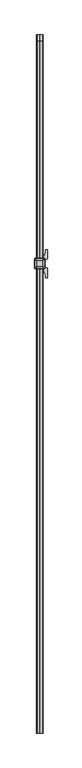
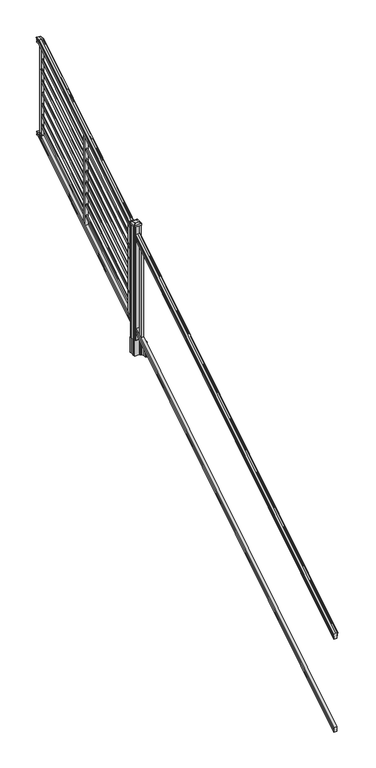
"""IFC4 building model written with IfcOpenShell, lengths in millimetres: railing geometry."""

from ifc_helpers import new_model, si_unit, point, frame, frame_2d, origin, origin_2d, place, context, project, spatial, polyline, circle_curve, ellipse_curve, trimmed, segment, composite_curve, outline, extrude, faceted_brep, source, transform, mapped, element, save
from ifc_brep_helpers import plane_surface, cylinder_surface, revolved_surface, extruded_surface, advanced_brep


def railing_a6274b3b(model_context):
    return source(origin(), model_context, "Body", "SolidModel", [
        advanced_brep(
        [(8666.232944, -142728.8628453, 1270.3670492), (8668.8067728, -142728.8628453, 1270.3670492), (8668.8067728, -142728.8628453, 1257.7994336), (8667.7907728, -142728.8628453, 1256.601318), (8667.7907728, -142728.8628453, 1242.06), (8699.5407728, -142728.8628453, 1242.06), (8699.5407728, -142728.8628453, 1256.7874214), (8698.5247728, -142728.8628453, 1257.985537), (8698.5247728, -142728.8628453, 1270.3670492), (8701.0986015, -142728.8628453, 1270.3670492), (8701.0986015, -142728.8628453, 1272.5935658), (8702.2287878, -142728.8628453, 1274.4358543), (8702.2287878, -142728.8628453, 1282.9476358), (8701.5795314, -142728.8628453, 1285.8172588), (8704.0795314, -142728.8628453, 1290.9235509), (8705.4888739, -142728.8628453, 1292.9042021), (8705.8907729, -142728.8628453, 1294.2069579), (8705.8907728, -142728.8628453, 1295.7874846), (8704.3373255, -142728.8628453, 1297.6193836), (8683.6657728, -142728.8628453, 1297.6193836), (8662.99422, -142728.8628453, 1297.6193836), (8661.4407728, -142728.8628453, 1295.7874846), (8661.4407728, -142728.8628453, 1294.2069579), (8661.8426717, -142728.8628453, 1292.9042021), (8663.2520141, -142728.8628453, 1290.9235509), (8665.7520141, -142728.8628453, 1285.8172588), (8665.1027577, -142728.8628453, 1282.9476358), (8665.1027577, -142728.8628453, 1274.4358543), (8666.232944, -142728.8628453, 1272.5935658), (8666.232944, -137852.0628453, 4295.0143297), (8666.232944, -137852.0628453, 4296.902412), (8665.1027577, -137852.0628453, 4298.4646695), (8665.1027577, -137852.0628453, 4305.6826458), (8665.7520141, -137852.0628453, 4308.1160812), (8663.2520141, -137852.0628453, 4312.4462082), (8661.8426717, -137852.0628453, 4314.1257972), (8661.4407727, -137852.0628453, 4315.2305318), (8661.4407728, -137852.0628453, 4316.5708158), (8662.99422, -137852.0628453, 4318.124263), (8683.6657728, -137852.0628453, 4318.124263), (8704.3373255, -137852.0628453, 4318.124263), (8705.8907728, -137852.0628453, 4316.5708158), (8705.8907728, -137852.0628453, 4315.2305318), (8705.4888739, -137852.0628453, 4314.1257972), (8704.0795314, -137852.0628453, 4312.4462082), (8701.5795314, -137852.0628453, 4308.1160812), (8702.2287878, -137852.0628453, 4305.6826458), (8702.2287878, -137852.0628453, 4298.4646695), (8701.0986015, -137852.0628453, 4296.902412), (8701.0986015, -137852.0628453, 4295.0143297), (8698.5247728, -137852.0628453, 4295.0143297), (8698.5247728, -137852.0628453, 4284.5148283), (8699.5407728, -137852.0628453, 4283.4988283), (8699.5407728, -137852.0628453, 4271.01), (8667.7907728, -137852.0628453, 4271.01), (8667.7907728, -137852.0628453, 4283.341013), (8668.8067728, -137852.0628453, 4284.357013), (8668.8067728, -137852.0628453, 4295.0143297), (8666.232944, -137889.9686913, 4296.902412), (8666.232944, -137889.4271965, 4295.0143297), (8665.1027577, -137890.4167409, 4298.4646695), (8665.1027577, -137892.4868293, 4305.6826458), (8665.7520141, -137893.1847294, 4308.1160812), (8663.2520141, -137894.4265935, 4312.4462082), (8661.8426717, -137894.9082932, 4314.1257972), (8661.4407727, -137895.2251269, 4315.2305318), (8661.4407728, -137895.6095153, 4316.5708158), (8662.99422, -137896.0550381, 4318.124263), (8683.6657728, -137896.0550381, 4318.124263), (8704.3373255, -137896.0550381, 4318.124263), (8705.8907728, -137895.6095153, 4316.5708158), (8705.8907728, -137895.2251269, 4315.2305318), (8705.4888739, -137894.9082932, 4314.1257972), (8704.0795314, -137894.4265935, 4312.4462082), (8701.5795314, -137893.1847294, 4308.1160812), (8702.2287878, -137892.4868293, 4305.6826458), (8702.2287878, -137890.4167409, 4298.4646695), (8701.0986015, -137889.9686913, 4296.902412), (8701.0986015, -137889.4271965, 4295.0143297), (8698.5247728, -137889.4271965, 4295.0143297), (8698.5247728, -137886.4159791, 4284.5148283), (8699.5407728, -137886.1245941, 4283.4988283), (8699.5407728, -137882.5428453, 4271.01), (8667.7907728, -137882.5428453, 4271.01), (8667.7907728, -137886.0793333, 4283.341013), (8668.8067728, -137886.3707182, 4284.357013), (8668.8067728, -137889.4271965, 4295.0143297)],
        [
            (0, 1, ellipse_curve(frame((8667.5198584, -142728.8628453, 1270.3670492), z_axis=(0.0, -1.0, 0.0), x_axis=(0.0, 0.0, -1.0)), 1.5175907, 1.2869144)),
            (1, 2),
            (2, 3),
            (3, 4),
            (4, 5),
            (5, 6),
            (6, 7),
            (7, 8),
            (8, 9, ellipse_curve(frame((8699.8116871, -142728.8628453, 1270.3670492), z_axis=(0.0, -1.0, 0.0), x_axis=(0.0, 0.0, -1.0)), 1.5175907, 1.2869144)),
            (9, 10),
            (10, 11, ellipse_curve(frame((8694.7838482, -142728.8628453, 1279.3839405), z_axis=(0.0, -1.0, 0.0), x_axis=(0.0, 0.0, -1.0)), 10.0777926, 8.545951)),
            (11, 12, ellipse_curve(frame((8695.2209112, -142728.8628453, 1278.6917451), z_axis=(0.0, -1.0, 0.0), x_axis=(0.0, 0.0, -1.0)), 9.2955186, 7.882584)),
            (12, 13, ellipse_curve(frame((8705.7342353, -142728.8628453, 1285.5875077), z_axis=(0.0, 1.0, 0.0), x_axis=(0.0, 0.0, 1.0)), 4.9048088, 4.1592695)),
            (13, 14, ellipse_curve(frame((8707.0215419, -142728.8628453, 1285.5163208), z_axis=(0.0, 1.0, 0.0), x_axis=(0.0, 0.0, 1.0)), 6.4245301, 5.4479907)),
            (14, 15, ellipse_curve(frame((8705.7883834, -142728.8628453, 1290.9202333), z_axis=(0.0, 1.0, 0.0), x_axis=(0.0, 0.0, 1.0)), 2.0151625, 1.7088543)),
            (15, 16, ellipse_curve(frame((8704.1714833, -142728.8628453, 1294.2069579), z_axis=(0.0, -1.0, 0.0), x_axis=(0.0, 0.0, -1.0)), 2.0274681, 1.7192895)),
            (16, 17),
            (17, 18, ellipse_curve(frame((8704.3373255, -142728.8628453, 1295.7874846), z_axis=(0.0, -1.0, 0.0), x_axis=(0.0, 0.0, -1.0)), 1.831899, 1.5534472)),
            (18, 19),
            (19, 20),
            (20, 21, ellipse_curve(frame((8662.99422, -142728.8628453, 1295.7874846), z_axis=(0.0, -1.0, 0.0), x_axis=(0.0, 0.0, -1.0)), 1.831899, 1.5534472)),
            (21, 22),
            (22, 23, ellipse_curve(frame((8663.1600622, -142728.8628453, 1294.2069579), z_axis=(0.0, -1.0, 0.0), x_axis=(0.0, 0.0, -1.0)), 2.0274681, 1.7192895)),
            (23, 24, ellipse_curve(frame((8661.5431621, -142728.8628453, 1290.9202333), z_axis=(0.0, 1.0, 0.0), x_axis=(0.0, 0.0, 1.0)), 2.0151625, 1.7088543)),
            (24, 25, ellipse_curve(frame((8660.3100037, -142728.8628453, 1285.5163208), z_axis=(0.0, 1.0, 0.0), x_axis=(0.0, 0.0, 1.0)), 6.4245301, 5.4479907)),
            (25, 26, ellipse_curve(frame((8661.5973102, -142728.8628453, 1285.5875077), z_axis=(0.0, 1.0, 0.0), x_axis=(0.0, 0.0, 1.0)), 4.9048088, 4.1592695)),
            (26, 27, ellipse_curve(frame((8672.1106343, -142728.8628453, 1278.6917451), z_axis=(0.0, -1.0, 0.0), x_axis=(0.0, 0.0, -1.0)), 9.2955186, 7.882584)),
            (27, 28, ellipse_curve(frame((8672.5476973, -142728.8628453, 1279.3839405), z_axis=(0.0, -1.0, 0.0), x_axis=(0.0, 0.0, -1.0)), 10.0777926, 8.545951)),
            (28, 0),
            (29, 30),
            (30, 31, circle_curve(frame((8672.5476973, -137852.0628453, 4302.6606383), z_axis=(0.0, 1.0, 0.0), x_axis=(1.0, 0.0, 0.0)), 8.545951)),
            (31, 32, circle_curve(frame((8672.1106343, -137852.0628453, 4302.0736577), z_axis=(0.0, 1.0, 0.0), x_axis=(1.0, 0.0, 0.0)), 7.882584)),
            (32, 33, circle_curve(frame((8661.5973102, -137852.0628453, 4307.9212527), z_axis=(0.0, -1.0, 0.0), x_axis=(1.0, 0.0, 0.0)), 4.1592695)),
            (33, 34, circle_curve(frame((8660.3100037, -137852.0628453, 4307.8608864), z_axis=(0.0, -1.0, 0.0), x_axis=(1.0, 0.0, 0.0)), 5.4479907)),
            (34, 35, circle_curve(frame((8661.5431621, -137852.0628453, 4312.443395), z_axis=(0.0, -1.0, 0.0), x_axis=(1.0, 0.0, 0.0)), 1.7088543)),
            (35, 36, circle_curve(frame((8663.1600622, -137852.0628453, 4315.2305318), z_axis=(0.0, 1.0, 0.0), x_axis=(1.0, 0.0, 0.0)), 1.7192895)),
            (36, 37),
            (37, 38, circle_curve(frame((8662.99422, -137852.0628453, 4316.5708158), z_axis=(0.0, 1.0, 0.0), x_axis=(1.0, 0.0, 0.0)), 1.5534472)),
            (38, 39),
            (39, 40),
            (40, 41, circle_curve(frame((8704.3373255, -137852.0628453, 4316.5708158), z_axis=(0.0, 1.0, 0.0), x_axis=(-1.0, 0.0, 0.0)), 1.5534472)),
            (41, 42),
            (42, 43, circle_curve(frame((8704.1714833, -137852.0628453, 4315.2305318), z_axis=(0.0, 1.0, 0.0), x_axis=(-1.0, 0.0, 0.0)), 1.7192895)),
            (43, 44, circle_curve(frame((8705.7883834, -137852.0628453, 4312.443395), z_axis=(0.0, -1.0, 0.0), x_axis=(-1.0, 0.0, 0.0)), 1.7088543)),
            (44, 45, circle_curve(frame((8707.0215419, -137852.0628453, 4307.8608864), z_axis=(0.0, -1.0, 0.0), x_axis=(-1.0, 0.0, 0.0)), 5.4479907)),
            (45, 46, circle_curve(frame((8705.7342353, -137852.0628453, 4307.9212527), z_axis=(0.0, -1.0, 0.0), x_axis=(-1.0, 0.0, 0.0)), 4.1592695)),
            (46, 47, circle_curve(frame((8695.2209112, -137852.0628453, 4302.0736577), z_axis=(0.0, 1.0, 0.0), x_axis=(-1.0, 0.0, 0.0)), 7.882584)),
            (47, 48, circle_curve(frame((8694.7838482, -137852.0628453, 4302.6606383), z_axis=(0.0, 1.0, 0.0), x_axis=(-1.0, 0.0, 0.0)), 8.545951)),
            (48, 49),
            (49, 50, circle_curve(frame((8699.8116871, -137852.0628453, 4295.0143297), z_axis=(0.0, 1.0, 0.0), x_axis=(-1.0, 0.0, 0.0)), 1.2869144)),
            (50, 51),
            (51, 52),
            (52, 53),
            (53, 54),
            (54, 55),
            (55, 56),
            (56, 57),
            (57, 29, circle_curve(frame((8667.5198584, -137852.0628453, 4295.0143297), z_axis=(0.0, 1.0, 0.0), x_axis=(1.0, 0.0, 0.0)), 1.2869144)),
            (28, 58),
            (58, 59),
            (59, 0),
            (27, 60),
            (60, 58, ellipse_curve(frame((8672.5476973, -137891.6201289, 4302.6606383), z_axis=(0.0, -0.9612487461643644, -0.2756825130425166), x_axis=(0.0, 0.27568251304251695, -0.9612487461643643)), 8.8904678, 8.545951)),
            (26, 61),
            (61, 60, ellipse_curve(frame((8672.1106343, -137891.4517851, 4302.0736577), z_axis=(0.0, -0.9612487461643644, -0.2756825130425166), x_axis=(0.0, 0.27568251304251695, -0.9612487461643643)), 8.2003581, 7.882584)),
            (25, 62),
            (62, 61, ellipse_curve(frame((8661.5973102, -137893.1288533, 4307.9212527), z_axis=(0.0, 0.9612487461643644, 0.2756825130425166), x_axis=(0.0, -0.27568251304251695, 0.9612487461643643)), 4.326944, 4.1592695)),
            (24, 63),
            (63, 62, ellipse_curve(frame((8660.3100037, -137893.1115404, 4307.8608864), z_axis=(0.0, 0.9612487461643644, 0.2756825130425166), x_axis=(0.0, -0.27568251304251695, 0.9612487461643643)), 5.667618, 5.4479907)),
            (23, 64),
            (64, 63, ellipse_curve(frame((8661.5431621, -137894.4257866, 4312.443395), z_axis=(0.0, 0.9612487461643644, 0.2756825130425166), x_axis=(0.0, -0.27568251304251695, 0.9612487461643643)), 1.7777442, 1.7088543)),
            (22, 65),
            (65, 64, ellipse_curve(frame((8663.1600622, -137895.2251269, 4315.2305318), z_axis=(0.0, -0.9612487461643644, -0.2756825130425166), x_axis=(0.0, 0.27568251304251695, -0.9612487461643643)), 1.7886, 1.7192895)),
            (21, 66),
            (66, 65),
            (20, 67),
            (67, 66, ellipse_curve(frame((8662.99422, -137895.6095153, 4316.5708158), z_axis=(0.0, -0.9612487461643644, -0.2756825130425166), x_axis=(0.0, 0.27568251304251695, -0.9612487461643643)), 1.6160721, 1.5534472)),
            (19, 68),
            (68, 67),
            (18, 69),
            (69, 68),
            (17, 70),
            (70, 69, ellipse_curve(frame((8704.3373255, -137895.6095153, 4316.5708158), z_axis=(0.0, -0.9612487461643644, -0.2756825130425166), x_axis=(0.0, 0.27568251304251695, -0.9612487461643643)), 1.6160721, 1.5534472)),
            (16, 71),
            (71, 70),
            (15, 72),
            (72, 71, ellipse_curve(frame((8704.1714833, -137895.2251269, 4315.2305318), z_axis=(0.0, -0.9612487461643644, -0.2756825130425166), x_axis=(0.0, 0.27568251304251695, -0.9612487461643643)), 1.7886, 1.7192895)),
            (14, 73),
            (73, 72, ellipse_curve(frame((8705.7883834, -137894.4257866, 4312.443395), z_axis=(0.0, 0.9612487461643644, 0.2756825130425166), x_axis=(0.0, -0.27568251304251695, 0.9612487461643643)), 1.7777442, 1.7088543)),
            (13, 74),
            (74, 73, ellipse_curve(frame((8707.0215419, -137893.1115404, 4307.8608864), z_axis=(0.0, 0.9612487461643644, 0.2756825130425166), x_axis=(0.0, -0.27568251304251695, 0.9612487461643643)), 5.667618, 5.4479907)),
            (12, 75),
            (75, 74, ellipse_curve(frame((8705.7342353, -137893.1288533, 4307.9212527), z_axis=(0.0, 0.9612487461643644, 0.2756825130425166), x_axis=(0.0, -0.27568251304251695, 0.9612487461643643)), 4.326944, 4.1592695)),
            (11, 76),
            (76, 75, ellipse_curve(frame((8695.2209112, -137891.4517851, 4302.0736577), z_axis=(0.0, -0.9612487461643644, -0.2756825130425166), x_axis=(0.0, 0.27568251304251695, -0.9612487461643643)), 8.2003581, 7.882584)),
            (10, 77),
            (77, 76, ellipse_curve(frame((8694.7838482, -137891.6201289, 4302.6606383), z_axis=(0.0, -0.9612487461643644, -0.2756825130425166), x_axis=(0.0, 0.27568251304251695, -0.9612487461643643)), 8.8904678, 8.545951)),
            (9, 78),
            (78, 77),
            (8, 79),
            (79, 78, ellipse_curve(frame((8699.8116871, -137889.4271965, 4295.0143297), z_axis=(0.0, -0.9612487461643644, -0.2756825130425166), x_axis=(0.0, 0.27568251304251695, -0.9612487461643643)), 1.3387943, 1.2869144)),
            (7, 80),
            (80, 79),
            (6, 81),
            (81, 80),
            (5, 82),
            (82, 81),
            (4, 83),
            (83, 82),
            (3, 84),
            (84, 83),
            (2, 85),
            (85, 84),
            (1, 86),
            (86, 85),
            (59, 86, ellipse_curve(frame((8667.5198584, -137889.4271965, 4295.0143297), z_axis=(0.0, -0.9612487461643644, -0.2756825130425166), x_axis=(0.0, 0.27568251304251695, -0.9612487461643643)), 1.3387943, 1.2869144)),
            (58, 30),
            (29, 59),
            (60, 31),
            (61, 32),
            (62, 33),
            (63, 34),
            (64, 35),
            (65, 36),
            (66, 37),
            (67, 38),
            (68, 39),
            (69, 40),
            (70, 41),
            (71, 42),
            (72, 43),
            (73, 44),
            (74, 45),
            (75, 46),
            (76, 47),
            (77, 48),
            (78, 49),
            (79, 50),
            (80, 51),
            (81, 52),
            (82, 53),
            (83, 54),
            (84, 55),
            (85, 56),
            (86, 57),
        ],
        [
            plane_surface(frame((8683.6657728, -142728.8628453, 1242.06), z_axis=(0.0, -1.0, 0.0), x_axis=(0.0, 0.0, 1.0))),
            plane_surface(frame((8683.6657728, -137852.0628453, 4271.01), z_axis=(0.0, 1.0, 0.0), x_axis=(0.0, 0.0, 1.0))),
            plane_surface(frame((8666.232944, -142728.8628453, 1272.5935658), z_axis=(-1.0, 0.0, 0.0), x_axis=(0.0, 0.8479983040051251, 0.5299989400031206))),
            cylinder_surface(frame((8672.5476973, -142745.63765, 1268.8996876), z_axis=(0.0, -0.8479983040051253, -0.5299989400031203), x_axis=(1.0, 0.0, 0.0)), 8.545951),
            cylinder_surface(frame((8672.1106343, -142745.3265509, 1268.401929), z_axis=(0.0, -0.8479983040051253, -0.5299989400031203), x_axis=(1.0, 0.0, 0.0)), 7.882584),
            revolved_surface(polyline([(8665.7565797, -137892.1173076721, 4308.553468716955), (8665.7565797, -142731.06725374944, 1284.209752419102)]), (8661.5973102, -142748.4257701, 1273.3606797), (0.0, 0.8479983040051253, 0.5299989400031203)),
            revolved_surface(polyline([(8665.7579944, -137891.78657425637, 4308.688990189307), (8665.7579944, -142731.75027455282, 1283.7116775044994)]), (8660.3100037, -142748.393776, 1273.3094891), (0.0, 0.8479983040051253, 0.5299989400031203)),
            revolved_surface(polyline([(8663.252016400002, -137894.01018858227, 4312.7031437730975), (8663.252016400002, -142729.76853632246, 1290.354176435948)]), (8661.5431621, -142750.8225007, 1277.1954487), (0.0, 0.8479983040051253, 0.5299989400031203)),
            cylinder_surface(frame((8663.1600622, -142752.2996803, 1279.558936), z_axis=(0.0, -0.8479983040051253, -0.5299989400031203), x_axis=(1.0, 0.0, 0.0)), 1.7192895),
            plane_surface(frame((8661.4407728, -142728.8628453, 1295.7874846), z_axis=(-1.0, 0.0, 0.0), x_axis=(0.0, 0.8479983040051249, 0.529998940003121))),
            cylinder_surface(frame((8662.99422, -142753.0100294, 1280.6954945), z_axis=(0.0, -0.8479983040051253, -0.5299989400031203), x_axis=(1.0, 0.0, 0.0)), 1.5534472),
            plane_surface(frame((8683.6657728, -142728.8628453, 1297.6193836), z_axis=(0.0, -0.5299989400031193, 0.8479983040051259), x_axis=(0.0, 0.8479983040051259, 0.5299989400031193))),
            plane_surface(frame((8704.3373255, -142728.8628453, 1297.6193836), z_axis=(0.0, -0.5299989400031193, 0.8479983040051259), x_axis=(0.0, 0.8479983040051259, 0.5299989400031193))),
            cylinder_surface(frame((8704.3373255, -142753.0100294, 1280.6954945), z_axis=(0.0, -0.8479983040051253, -0.5299989400031203), x_axis=(-1.0, 0.0, 0.0)), 1.5534472),
            plane_surface(frame((8705.8907728, -142728.8628453, 1294.2069579), z_axis=(1.0000000000000002, 0.0, 0.0), x_axis=(0.0, 0.8479983040051259, 0.5299989400031195))),
            cylinder_surface(frame((8704.1714833, -142752.2996803, 1279.558936), z_axis=(0.0, -0.8479983040051253, -0.5299989400031203), x_axis=(-1.0, 0.0, 0.0)), 1.7192895),
            revolved_surface(polyline([(8704.0795291, -137894.01018858227, 4312.7031437730975), (8704.0795291, -142729.76853632246, 1290.354176435948)]), (8705.7883834, -142750.8225007, 1277.1954487), (0.0, 0.8479983040051253, 0.5299989400031203)),
            revolved_surface(polyline([(8701.5735512, -137891.78657425637, 4308.688990189307), (8701.5735512, -142731.75027455282, 1283.7116775044994)]), (8707.0215419, -142748.393776, 1273.3094891), (0.0, 0.8479983040051253, 0.5299989400031203)),
            revolved_surface(polyline([(8701.5749658, -137892.1173076721, 4308.553468716955), (8701.5749658, -142731.06725374944, 1284.209752419102)]), (8705.7342353, -142748.4257701, 1273.3606797), (0.0, 0.8479983040051253, 0.5299989400031203)),
            cylinder_surface(frame((8695.2209112, -142745.3265509, 1268.401929), z_axis=(0.0, -0.8479983040051253, -0.5299989400031203), x_axis=(-1.0, 0.0, 0.0)), 7.882584),
            cylinder_surface(frame((8694.7838482, -142745.63765, 1268.8996876), z_axis=(0.0, -0.8479983040051253, -0.5299989400031203), x_axis=(-1.0, 0.0, 0.0)), 8.545951),
            plane_surface(frame((8701.0986015, -142728.8628453, 1270.3670492), z_axis=(1.0000000000000002, 0.0, 0.0), x_axis=(0.0, 0.8479983040051257, 0.5299989400031199))),
            cylinder_surface(frame((8699.8116871, -142741.5851146, 1262.4156309), z_axis=(0.0, -0.8479983040051253, -0.5299989400031203), x_axis=(-1.0, 0.0, 0.0)), 1.2869144),
            plane_surface(frame((8698.5247728, -142728.8628453, 1257.985537), z_axis=(1.0, 0.0, 0.0), x_axis=(0.0, 0.8479983040051249, 0.529998940003121))),
            plane_surface(frame((8699.5407728, -142728.8628453, 1256.7874214), z_axis=(0.7071067811865426, -0.37476584449789235, 0.5996253511967193), x_axis=(0.0, 0.8479983040051251, 0.5299989400031208))),
            plane_surface(frame((8699.5407728, -142728.8628453, 1242.06), z_axis=(1.0, 0.0, 0.0), x_axis=(0.0, 0.8479983040051255, 0.52999894000312))),
            plane_surface(frame((8667.7907728, -142728.8628453, 1242.06), z_axis=(0.0, 0.5299989400031201, -0.8479983040051255), x_axis=(0.0, 0.8479983040051255, 0.5299989400031201))),
            plane_surface(frame((8667.7907728, -142728.8628453, 1256.601318), z_axis=(-1.0000000000000002, 0.0, 0.0), x_axis=(0.0, 0.8479983040051251, 0.5299989400031208))),
            plane_surface(frame((8668.8067728, -142728.8628453, 1257.7994336), z_axis=(-0.70710678118654, -0.37476584449789224, 0.599625351196722), x_axis=(0.0, 0.8479983040051248, 0.5299989400031211))),
            plane_surface(frame((8668.8067728, -142728.8628453, 1270.3670492), z_axis=(-1.0000000000000002, 0.0, 0.0), x_axis=(0.0, 0.8479983040051257, 0.5299989400031199))),
            cylinder_surface(frame((8667.5198584, -142741.5851146, 1262.4156309), z_axis=(0.0, -0.8479983040051253, -0.5299989400031203), x_axis=(1.0, 0.0, 0.0)), 1.2869144),
            plane_surface(frame((8666.232944, -137889.9686913, 4296.902412), z_axis=(-1.0, 0.0, 0.0), x_axis=(0.0, 1.0, 0.0))),
            cylinder_surface(frame((8672.5476973, -137882.5428453, 4302.6606383), z_axis=(0.0, -1.0, 0.0), x_axis=(1.0, 0.0, 0.0)), 8.545951),
            cylinder_surface(frame((8672.1106343, -137882.5428453, 4302.0736577), z_axis=(0.0, -1.0, 0.0), x_axis=(1.0, 0.0, 0.0)), 7.882584),
            revolved_surface(polyline([(8665.7565797, -137852.0628453, 4307.9212527), (8665.7565797, -137894.32171609573, 4307.9212527)]), (8661.5973102, -137882.5428453, 4307.9212527), (0.0, 1.0, 0.0)),
            revolved_surface(polyline([(8665.7579944, -137852.0628453, 4307.8608864), (8665.7579944, -137894.6740035732, 4307.8608864)]), (8660.3100037, -137882.5428453, 4307.8608864), (0.0, 1.0, 0.0)),
            revolved_surface(polyline([(8663.252016400002, -137852.0628453, 4312.443395), (8663.252016400002, -137894.9158795886, 4312.443395)]), (8661.5431621, -137882.5428453, 4312.443395), (0.0, 1.0, 0.0)),
            cylinder_surface(frame((8663.1600622, -137882.5428453, 4315.2305318), z_axis=(0.0, -1.0, 0.0), x_axis=(1.0, 0.0, 0.0)), 1.7192895),
            plane_surface(frame((8661.4407728, -137895.6095153, 4316.5708158), z_axis=(-1.0, 0.0, 0.0), x_axis=(0.0, 1.0, 0.0))),
            cylinder_surface(frame((8662.99422, -137882.5428453, 4316.5708158), z_axis=(0.0, -1.0, 0.0), x_axis=(1.0, 0.0, 0.0)), 1.5534472),
            plane_surface(frame((8683.6657728, -137896.0550381, 4318.124263), z_axis=(0.0, 0.0, 1.0), x_axis=(0.0, 1.0, 0.0))),
            plane_surface(frame((8704.3373255, -137896.0550381, 4318.124263), z_axis=(0.0, 0.0, 1.0), x_axis=(0.0, 1.0, 0.0))),
            cylinder_surface(frame((8704.3373255, -137882.5428453, 4316.5708158), z_axis=(0.0, -1.0, 0.0), x_axis=(-1.0, 0.0, 0.0)), 1.5534472),
            plane_surface(frame((8705.8907728, -137895.2251269, 4315.2305318), z_axis=(1.0, 0.0, 0.0), x_axis=(0.0, 1.0, 0.0))),
            cylinder_surface(frame((8704.1714833, -137882.5428453, 4315.2305318), z_axis=(0.0, -1.0, 0.0), x_axis=(-1.0, 0.0, 0.0)), 1.7192895),
            revolved_surface(polyline([(8704.0795291, -137852.0628453, 4312.443395), (8704.0795291, -137894.9158795886, 4312.443395)]), (8705.7883834, -137882.5428453, 4312.443395), (0.0, 1.0, 0.0)),
            revolved_surface(polyline([(8701.5735512, -137852.0628453, 4307.8608864), (8701.5735512, -137894.6740035732, 4307.8608864)]), (8707.0215419, -137882.5428453, 4307.8608864), (0.0, 1.0, 0.0)),
            revolved_surface(polyline([(8701.5749658, -137852.0628453, 4307.9212527), (8701.5749658, -137894.32171609573, 4307.9212527)]), (8705.7342353, -137882.5428453, 4307.9212527), (0.0, 1.0, 0.0)),
            cylinder_surface(frame((8695.2209112, -137882.5428453, 4302.0736577), z_axis=(0.0, -1.0, 0.0), x_axis=(-1.0, 0.0, 0.0)), 7.882584),
            cylinder_surface(frame((8694.7838482, -137882.5428453, 4302.6606383), z_axis=(0.0, -1.0, 0.0), x_axis=(-1.0, 0.0, 0.0)), 8.545951),
            plane_surface(frame((8701.0986015, -137889.4271965, 4295.0143297), z_axis=(1.0, 0.0, 0.0), x_axis=(0.0, 1.0, 0.0))),
            cylinder_surface(frame((8699.8116871, -137882.5428453, 4295.0143297), z_axis=(0.0, -1.0, 0.0), x_axis=(-1.0, 0.0, 0.0)), 1.2869144),
            plane_surface(frame((8698.5247728, -137886.4159791, 4284.5148283), z_axis=(1.0, 0.0, 0.0), x_axis=(0.0, 1.0, 0.0))),
            plane_surface(frame((8699.5407728, -137886.1245941, 4283.4988283), z_axis=(0.7071067811865435, 0.0, 0.7071067811865518), x_axis=(0.0, 1.0, 0.0))),
            plane_surface(frame((8699.5407728, -137882.5428453, 4271.01), z_axis=(1.0, 0.0, 0.0), x_axis=(0.0, 1.0, 0.0))),
            plane_surface(frame((8667.7907728, -137882.5428453, 4271.01), z_axis=(0.0, 0.0, -1.0), x_axis=(0.0, 1.0, 0.0))),
            plane_surface(frame((8667.7907728, -137886.0793333, 4283.341013), z_axis=(-1.0, 0.0, 0.0), x_axis=(0.0, 1.0, 0.0))),
            plane_surface(frame((8668.8067728, -137886.3707182, 4284.357013), z_axis=(-0.707106781186539, 0.0, 0.707106781186556), x_axis=(0.0, 1.0, 0.0))),
            plane_surface(frame((8668.8067728, -137889.4271965, 4295.0143297), z_axis=(-1.0, 0.0, 0.0), x_axis=(0.0, 1.0, 0.0))),
            cylinder_surface(frame((8667.5198584, -137882.5428453, 4295.0143297), z_axis=(0.0, -1.0, 0.0), x_axis=(1.0, 0.0, 0.0)), 1.2869144),
        ],
        [
            (0, [[1, 2, 3, 4, 5, 6, 7, 8, 9, 10, 11, 12, 13, 14, 15, 16, 17, 18, 19, 20, 21, 22, 23, 24, 25, 26, 27, 28, 29]]),
            (1, [[30, 31, 32, 33, 34, 35, 36, 37, 38, 39, 40, 41, 42, 43, 44, 45, 46, 47, 48, 49, 50, 51, 52, 53, 54, 55, 56, 57, 58]]),
            (2, [[-29, 59, 60, 61]]),
            (3, [[-28, 62, 63, -59]]),
            (4, [[-27, 64, 65, -62]]),
            (5, [[-26, 66, 67, -64]]),
            (6, [[-25, 68, 69, -66]]),
            (7, [[-24, 70, 71, -68]]),
            (8, [[-23, 72, 73, -70]]),
            (9, [[-22, 74, 75, -72]]),
            (10, [[-21, 76, 77, -74]]),
            (11, [[-20, 78, 79, -76]]),
            (12, [[-19, 80, 81, -78]]),
            (13, [[-18, 82, 83, -80]]),
            (14, [[-17, 84, 85, -82]]),
            (15, [[-16, 86, 87, -84]]),
            (16, [[-15, 88, 89, -86]]),
            (17, [[-14, 90, 91, -88]]),
            (18, [[-13, 92, 93, -90]]),
            (19, [[-12, 94, 95, -92]]),
            (20, [[-11, 96, 97, -94]]),
            (21, [[-10, 98, 99, -96]]),
            (22, [[-9, 100, 101, -98]]),
            (23, [[-8, 102, 103, -100]]),
            (24, [[-7, 104, 105, -102]]),
            (25, [[-6, 106, 107, -104]]),
            (26, [[-5, 108, 109, -106]]),
            (27, [[-4, 110, 111, -108]]),
            (28, [[-3, 112, 113, -110]]),
            (29, [[-2, 114, 115, -112]]),
            (30, [[-1, -61, 116, -114]]),
            (31, [[-60, 117, -30, 118]]),
            (32, [[-63, 119, -31, -117]]),
            (33, [[-65, 120, -32, -119]]),
            (34, [[-67, 121, -33, -120]]),
            (35, [[-69, 122, -34, -121]]),
            (36, [[-71, 123, -35, -122]]),
            (37, [[-73, 124, -36, -123]]),
            (38, [[-75, 125, -37, -124]]),
            (39, [[-77, 126, -38, -125]]),
            (40, [[-79, 127, -39, -126]]),
            (41, [[-81, 128, -40, -127]]),
            (42, [[-83, 129, -41, -128]]),
            (43, [[-85, 130, -42, -129]]),
            (44, [[-87, 131, -43, -130]]),
            (45, [[-89, 132, -44, -131]]),
            (46, [[-91, 133, -45, -132]]),
            (47, [[-93, 134, -46, -133]]),
            (48, [[-95, 135, -47, -134]]),
            (49, [[-97, 136, -48, -135]]),
            (50, [[-99, 137, -49, -136]]),
            (51, [[-101, 138, -50, -137]]),
            (52, [[-103, 139, -51, -138]]),
            (53, [[-105, 140, -52, -139]]),
            (54, [[-107, 141, -53, -140]]),
            (55, [[-109, 142, -54, -141]]),
            (56, [[-111, 143, -55, -142]]),
            (57, [[-113, 144, -56, -143]]),
            (58, [[-115, 145, -57, -144]]),
            (59, [[-116, -118, -58, -145]]),
        ],
    ),
        faceted_brep([(8667.7532859, -142728.8628453, 325.4465079), (8667.7532859, -142728.8628453, 310.642), (8699.5032859, -142728.8628453, 310.642), (8699.5032859, -142728.8628453, 325.4268772), (8698.4872859, -142728.8628453, 327.0168303), (8698.4872859, -142728.8628453, 339.1768741), (8699.5032859, -142728.8628453, 340.7668272), (8699.5032859, -142728.8628453, 355.5664744), (8667.7532859, -142728.8628453, 355.5664744), (8667.7532859, -142728.8628453, 340.7864579), (8668.7692859, -142728.8628453, 339.1965048), (8668.7692859, -142728.8628453, 326.980026), (8667.7532859, -137852.0628453, 3352.1461976), (8668.7692859, -137852.0628453, 3353.4466183), (8668.7692859, -137852.0628453, 3363.8061717), (8667.7532859, -137852.0628453, 3365.1544492), (8667.7532859, -137852.0628453, 3377.6878781), (8699.5032859, -137852.0628453, 3377.6878781), (8699.5032859, -137852.0628453, 3365.1378024), (8698.4872859, -137852.0628453, 3363.7895248), (8698.4872859, -137852.0628453, 3353.4778283), (8699.5032859, -137852.0628453, 3352.1295508), (8699.5032859, -137852.0628453, 3339.592), (8667.7532859, -137852.0628453, 3339.592), (8668.7692859, -137886.5162975, 3353.4466183), (8667.7532859, -137886.1433418, 3352.1461976), (8668.7692859, -137889.4873783, 3363.8061717), (8667.7532859, -137889.8740593, 3365.1544492), (8667.7532859, -137893.4685994, 3377.6878781), (8699.5032859, -137893.4685994, 3377.6878781), (8699.5032859, -137889.869285, 3365.1378024), (8698.4872859, -137889.4826041, 3363.7895248), (8698.4872859, -137886.5252485, 3353.4778283), (8699.5032859, -137886.1385675, 3352.1295508), (8699.5032859, -137882.5428453, 3339.592), (8667.7532859, -137882.5428453, 3339.592)], [[[0, 1, 2, 3, 4, 5, 6, 7, 8, 9, 10, 11]], [[12, 13, 14, 15, 16, 17, 18, 19, 20, 21, 22, 23]], [[0, 11, 24, 25]], [[11, 10, 26, 24]], [[10, 9, 27, 26]], [[9, 8, 28, 27]], [[8, 7, 29, 28]], [[7, 6, 30, 29]], [[6, 5, 31, 30]], [[5, 4, 32, 31]], [[4, 3, 33, 32]], [[3, 2, 34, 33]], [[2, 1, 35, 34]], [[1, 0, 25, 35]], [[25, 24, 13, 12]], [[24, 26, 14, 13]], [[26, 27, 15, 14]], [[27, 28, 16, 15]], [[28, 29, 17, 16]], [[29, 30, 18, 17]], [[30, 31, 19, 18]], [[31, 32, 20, 19]], [[32, 33, 21, 20]], [[33, 34, 22, 21]], [[34, 35, 23, 22]], [[35, 25, 12, 23]]]),
        extrude(outline(polyline([(-137890.1628453, 3372.9253781), (-137915.5628453, 3357.0503781), (-137915.5628453, 4250.3725), (-137890.1628453, 4266.2475), (-137890.1628453, 3372.9253781)])), frame((8670.9657728, 0.0, 0.0), z_axis=(1.0, 0.0, 0.0), x_axis=(0.0, 1.0, 0.0)), (0.0, 0.0, 1.0), 25.4),
        extrude(outline(composite_curve([segment(trimmed(circle_curve(origin_2d(), 8.001), [point((0.0, -8.001))], [point((0.0, 8.001))], False, "CARTESIAN"), True, "CONTINUOUS"), segment(trimmed(circle_curve(origin_2d(), 8.001), [point((0.0, 8.001))], [point((0.0, -8.001))], False, "CARTESIAN"), True, "CONTINUOUS")], self_intersect=False)), frame((8683.9759347, -138634.3828453, 3787.1989969), z_axis=(0.0, 0.8479983040051253, 0.5299989400031202), x_axis=(-1.0, 0.0, 0.0)), (0.0, 0.0, 1.0), 868.6338127),
        extrude(outline(composite_curve([segment(trimmed(circle_curve(origin_2d(), 8.001), [point((0.0, -8.001))], [point((0.0, 8.001))], False, "CARTESIAN"), True, "CONTINUOUS"), segment(trimmed(circle_curve(origin_2d(), 8.001), [point((0.0, 8.001))], [point((0.0, -8.001))], False, "CARTESIAN"), True, "CONTINUOUS")], self_intersect=False)), frame((8683.9759347, -138634.3828453, 3008.8696159), z_axis=(0.0, 0.8479983040051254, 0.5299989400031201), x_axis=(-1.0, 0.0, 0.0)), (0.0, 0.0, 1.0), 868.6338127),
        extrude(outline(composite_curve([segment(trimmed(circle_curve(origin_2d(), 8.001), [point((0.0, -8.001))], [point((0.0, 8.001))], False, "CARTESIAN"), True, "CONTINUOUS"), segment(trimmed(circle_curve(origin_2d(), 8.001), [point((0.0, 8.001))], [point((0.0, -8.001))], False, "CARTESIAN"), True, "CONTINUOUS")], self_intersect=False)), frame((8683.9759347, -138634.3828453, 3120.0595274), z_axis=(0.0, 0.8479983040051253, 0.5299989400031203), x_axis=(-1.0, 0.0, 0.0)), (0.0, 0.0, 1.0), 868.6338127),
        extrude(outline(composite_curve([segment(trimmed(circle_curve(origin_2d(), 8.001), [point((0.0, -8.001))], [point((0.0, 8.001))], False, "CARTESIAN"), True, "CONTINUOUS"), segment(trimmed(circle_curve(origin_2d(), 8.001), [point((0.0, 8.001))], [point((0.0, -8.001))], False, "CARTESIAN"), True, "CONTINUOUS")], self_intersect=False)), frame((8683.9759347, -138634.3828453, 3231.249439), z_axis=(0.0, 0.8479983040051253, 0.5299989400031203), x_axis=(-1.0, 0.0, 0.0)), (0.0, 0.0, 1.0), 868.6338127),
        extrude(outline(composite_curve([segment(trimmed(circle_curve(origin_2d(), 8.001), [point((0.0, -8.001))], [point((0.0, 8.001))], False, "CARTESIAN"), True, "CONTINUOUS"), segment(trimmed(circle_curve(origin_2d(), 8.001), [point((0.0, 8.001))], [point((0.0, -8.001))], False, "CARTESIAN"), True, "CONTINUOUS")], self_intersect=False)), frame((8683.9759347, -138634.3828453, 3342.4393506), z_axis=(0.0, 0.8479983040051253, 0.5299989400031203), x_axis=(-1.0, 0.0, 0.0)), (0.0, 0.0, 1.0), 868.6338127),
        extrude(outline(composite_curve([segment(trimmed(circle_curve(origin_2d(), 8.001), [point((0.0, -8.001))], [point((0.0, 8.001))], False, "CARTESIAN"), True, "CONTINUOUS"), segment(trimmed(circle_curve(origin_2d(), 8.001), [point((0.0, 8.001))], [point((0.0, -8.001))], False, "CARTESIAN"), True, "CONTINUOUS")], self_intersect=False)), frame((8683.9759347, -138634.3828453, 3453.6292622), z_axis=(0.0, 0.8479983040051254, 0.5299989400031202), x_axis=(-1.0, 0.0, 0.0)), (0.0, 0.0, 1.0), 868.6338127),
        extrude(outline(composite_curve([segment(trimmed(circle_curve(origin_2d(), 8.001), [point((0.0, -8.001))], [point((0.0, 8.001))], False, "CARTESIAN"), True, "CONTINUOUS"), segment(trimmed(circle_curve(origin_2d(), 8.001), [point((0.0, 8.001))], [point((0.0, -8.001))], False, "CARTESIAN"), True, "CONTINUOUS")], self_intersect=False)), frame((8683.9759347, -138634.3828453, 3564.8191737), z_axis=(0.0, 0.8479983040051253, 0.5299989400031202), x_axis=(-1.0, 0.0, 0.0)), (0.0, 0.0, 1.0), 868.6338127),
        extrude(outline(composite_curve([segment(trimmed(circle_curve(origin_2d(), 8.001), [point((0.0, -8.001))], [point((0.0, 8.001))], False, "CARTESIAN"), True, "CONTINUOUS"), segment(trimmed(circle_curve(origin_2d(), 8.001), [point((0.0, 8.001))], [point((0.0, -8.001))], False, "CARTESIAN"), True, "CONTINUOUS")], self_intersect=False)), frame((8683.9759347, -138634.3828453, 3676.0090853), z_axis=(0.0, 0.8479983040051253, 0.5299989400031203), x_axis=(-1.0, 0.0, 0.0)), (0.0, 0.0, 1.0), 868.6338127),
        extrude(outline(polyline([(-138616.6028453, 2918.9003781), (-138642.0028453, 2903.0253781), (-138642.0028453, 3796.3475), (-138616.6028453, 3812.2225), (-138616.6028453, 2918.9003781)])), frame((8670.9657728, 0.0, 0.0), z_axis=(1.0, 0.0, 0.0), x_axis=(0.0, 1.0, 0.0)), (0.0, 0.0, 1.0), 25.4),
        extrude(outline(composite_curve([segment(trimmed(circle_curve(origin_2d(), 8.001), [point((0.0, -8.001))], [point((0.0, 8.001))], False, "CARTESIAN"), True, "CONTINUOUS"), segment(trimmed(circle_curve(origin_2d(), 8.001), [point((0.0, 8.001))], [point((0.0, -8.001))], False, "CARTESIAN"), True, "CONTINUOUS")], self_intersect=False)), frame((8683.9759347, -139360.8228453, 3333.1739969), z_axis=(0.0, 0.8479983040051253, 0.5299989400031202), x_axis=(-1.0, 0.0, 0.0)), (0.0, 0.0, 1.0), 868.6338127),
        extrude(outline(composite_curve([segment(trimmed(circle_curve(origin_2d(), 8.001), [point((0.0, -8.001))], [point((0.0, 8.001))], False, "CARTESIAN"), True, "CONTINUOUS"), segment(trimmed(circle_curve(origin_2d(), 8.001), [point((0.0, 8.001))], [point((0.0, -8.001))], False, "CARTESIAN"), True, "CONTINUOUS")], self_intersect=False)), frame((8683.9759347, -139360.8228453, 2554.8446159), z_axis=(0.0, 0.8479983040051254, 0.5299989400031201), x_axis=(-1.0, 0.0, 0.0)), (0.0, 0.0, 1.0), 868.6338127),
        extrude(outline(composite_curve([segment(trimmed(circle_curve(origin_2d(), 8.001), [point((0.0, -8.001))], [point((0.0, 8.001))], False, "CARTESIAN"), True, "CONTINUOUS"), segment(trimmed(circle_curve(origin_2d(), 8.001), [point((0.0, 8.001))], [point((0.0, -8.001))], False, "CARTESIAN"), True, "CONTINUOUS")], self_intersect=False)), frame((8683.9759347, -139360.8228453, 2666.0345274), z_axis=(0.0, 0.8479983040051253, 0.5299989400031203), x_axis=(-1.0, 0.0, 0.0)), (0.0, 0.0, 1.0), 868.6338127),
        extrude(outline(composite_curve([segment(trimmed(circle_curve(origin_2d(), 8.001), [point((0.0, -8.001))], [point((0.0, 8.001))], False, "CARTESIAN"), True, "CONTINUOUS"), segment(trimmed(circle_curve(origin_2d(), 8.001), [point((0.0, 8.001))], [point((0.0, -8.001))], False, "CARTESIAN"), True, "CONTINUOUS")], self_intersect=False)), frame((8683.9759347, -139360.8228453, 2777.224439), z_axis=(0.0, 0.8479983040051253, 0.5299989400031203), x_axis=(-1.0, 0.0, 0.0)), (0.0, 0.0, 1.0), 868.6338127),
        extrude(outline(composite_curve([segment(trimmed(circle_curve(origin_2d(), 8.001), [point((0.0, -8.001))], [point((0.0, 8.001))], False, "CARTESIAN"), True, "CONTINUOUS"), segment(trimmed(circle_curve(origin_2d(), 8.001), [point((0.0, 8.001))], [point((0.0, -8.001))], False, "CARTESIAN"), True, "CONTINUOUS")], self_intersect=False)), frame((8683.9759347, -139360.8228453, 2888.4143506), z_axis=(0.0, 0.8479983040051253, 0.5299989400031203), x_axis=(-1.0, 0.0, 0.0)), (0.0, 0.0, 1.0), 868.6338127),
        extrude(outline(composite_curve([segment(trimmed(circle_curve(origin_2d(), 8.001), [point((0.0, -8.001))], [point((0.0, 8.001))], False, "CARTESIAN"), True, "CONTINUOUS"), segment(trimmed(circle_curve(origin_2d(), 8.001), [point((0.0, 8.001))], [point((0.0, -8.001))], False, "CARTESIAN"), True, "CONTINUOUS")], self_intersect=False)), frame((8683.9759347, -139360.8228453, 2999.6042622), z_axis=(0.0, 0.8479983040051254, 0.5299989400031202), x_axis=(-1.0, 0.0, 0.0)), (0.0, 0.0, 1.0), 868.6338127),
        extrude(outline(composite_curve([segment(trimmed(circle_curve(origin_2d(), 8.001), [point((0.0, -8.001))], [point((0.0, 8.001))], False, "CARTESIAN"), True, "CONTINUOUS"), segment(trimmed(circle_curve(origin_2d(), 8.001), [point((0.0, 8.001))], [point((0.0, -8.001))], False, "CARTESIAN"), True, "CONTINUOUS")], self_intersect=False)), frame((8683.9759347, -139360.8228453, 3110.7941737), z_axis=(0.0, 0.8479983040051253, 0.5299989400031202), x_axis=(-1.0, 0.0, 0.0)), (0.0, 0.0, 1.0), 868.6338127),
        extrude(outline(composite_curve([segment(trimmed(circle_curve(origin_2d(), 8.001), [point((0.0, -8.001))], [point((0.0, 8.001))], False, "CARTESIAN"), True, "CONTINUOUS"), segment(trimmed(circle_curve(origin_2d(), 8.001), [point((0.0, 8.001))], [point((0.0, -8.001))], False, "CARTESIAN"), True, "CONTINUOUS")], self_intersect=False)), frame((8683.9759347, -139360.8228453, 3221.9840853), z_axis=(0.0, 0.8479983040051253, 0.5299989400031203), x_axis=(-1.0, 0.0, 0.0)), (0.0, 0.0, 1.0), 868.6338127),
        extrude(outline(polyline([(-139343.0428453, 2464.8753781), (-139368.4428453, 2449.0003781), (-139368.4428453, 3342.3225), (-139343.0428453, 3358.1975), (-139343.0428453, 2464.8753781)])), frame((8670.9657728, 0.0, 0.0), z_axis=(1.0, 0.0, 0.0), x_axis=(0.0, 1.0, 0.0)), (0.0, 0.0, 1.0), 25.4),
        extrude(outline(composite_curve([segment(polyline([(8650.6140228, -139466.3469401), (8650.6140228, -139432.0827504), (8649.0265228, -139431.3207504), (8649.0265228, -139417.7898224), (8652.2407498, -139414.5755953), (8703.9214206, -139414.5755953), (8703.9214206, -139413.6548453), (8699.5710895, -139413.6548453), (8699.5710895, -139412.2005906), (8695.1976348, -139412.2005906), (8695.1976348, -139410.9165668), (8696.864907, -139410.9165668)]), True, "CONTINUOUS"), segment(trimmed(circle_curve(frame_2d((8696.864907, -139394.1733569)), 16.7432099), [point((8696.864907, -139410.9165668))], [point((8713.4870293, -139396.1833636))], True, "CARTESIAN"), True, "CONTINUOUS"), segment(polyline([(8713.4870293, -139396.1833636), (8721.2024736, -139379.1480251)]), True, "CONTINUOUS"), segment(trimmed(circle_curve(frame_2d((8676.1017103, -139362.8759755)), 47.9464123), [point((8721.2024736, -139379.1480251))], [point((8724.0481226, -139362.8759755))], True, "CARTESIAN"), True, "CONTINUOUS"), segment(polyline([(8724.0481226, -139362.8759755), (8724.0481226, -139350.8672359), (8736.2517103, -139350.8672359), (8736.2517103, -139416.1630953), (8718.3050228, -139427.7395116), (8718.3050228, -139431.3207504), (8716.7175228, -139432.0827504), (8716.7175228, -139466.3469401), (8718.3050228, -139467.1089401), (8718.3050228, -139470.690179), (8736.2517103, -139482.2665953), (8736.2517103, -139547.5624547), (8724.0481226, -139547.5624547), (8724.0481226, -139535.5537151)]), True, "CONTINUOUS"), segment(trimmed(circle_curve(frame_2d((8676.1017103, -139535.5537151)), 47.9464123), [point((8724.0481226, -139535.5537151))], [point((8721.2024736, -139519.2816654))], True, "CARTESIAN"), True, "CONTINUOUS"), segment(polyline([(8721.2024736, -139519.2816654), (8713.4870293, -139502.246327)]), True, "CONTINUOUS"), segment(trimmed(circle_curve(frame_2d((8696.864907, -139504.2563337)), 16.7432099), [point((8713.4870293, -139502.246327))], [point((8696.864907, -139487.5131238))], True, "CARTESIAN"), True, "CONTINUOUS"), segment(polyline([(8696.864907, -139487.5131238), (8704.6556192, -139487.5131238), (8704.6556192, -139486.2291), (8699.5710895, -139486.2291), (8699.5710895, -139484.7748453), (8703.9214206, -139484.7748453), (8703.9214206, -139483.8540953), (8652.2407498, -139483.8540953), (8649.0265228, -139480.6398682), (8649.0265228, -139467.1089401), (8650.6140228, -139466.3469401)]), True, "CONTINUOUS")], self_intersect=False), holes=[polyline([(8715.4157728, -139419.0523453), (8713.8282728, -139417.4648453), (8686.4289902, -139417.4648453), (8653.5032728, -139417.4648453), (8651.9157728, -139419.0523453), (8651.9157728, -139479.3773453), (8653.5032728, -139480.9648453), (8686.4289902, -139480.9648453), (8713.8282728, -139480.9648453), (8715.4157728, -139479.3773453), (8715.4157728, -139419.0523453)])]), frame((0.0, 0.0, 2119.63), z_axis=(0.0, 0.0, 1.0), x_axis=(1.0, 0.0, 0.0)), (0.0, 0.0, 1.0), 152.4),
        advanced_brep(
        [(8699.5407728, -139468.2648453, 3437.379263), (8702.7157728, -139465.0898453, 3437.379263), (8702.7157728, -139433.3398453, 3437.379263), (8699.5407728, -139430.1648453, 3437.379263), (8667.7907728, -139430.1648453, 3437.379263), (8664.6157728, -139433.3398453, 3437.379263), (8664.6157728, -139465.0898453, 3437.379263), (8667.7907728, -139468.2648453, 3437.379263), (8716.0507728, -139484.7748453, 3426.076263), (8651.2807728, -139484.7748453, 3426.076263), (8648.1057728, -139481.5998453, 3426.076263), (8648.1057728, -139416.8298453, 3426.076263), (8651.2807728, -139413.6548453, 3426.076263), (8716.0507728, -139413.6548453, 3426.076263), (8719.2257728, -139416.8298453, 3426.076263), (8719.2257728, -139481.5998453, 3426.076263)],
        [
            (0, 1, circle_curve(frame((8699.5407728, -139465.0898453, 3437.379263), z_axis=(0.0, 0.0, 1.0), x_axis=(0.0, 1.0, 0.0)), 3.175)),
            (1, 2),
            (2, 3, circle_curve(frame((8699.5407728, -139433.3398453, 3437.379263), z_axis=(0.0, 0.0, 1.0), x_axis=(0.0, 1.0, 0.0)), 3.175)),
            (3, 4),
            (4, 5, circle_curve(frame((8667.7907728, -139433.3398453, 3437.379263), z_axis=(0.0, 0.0, 1.0), x_axis=(0.0, 1.0, 0.0)), 3.175)),
            (5, 6),
            (6, 7, circle_curve(frame((8667.7907728, -139465.0898453, 3437.379263), z_axis=(0.0, 0.0, 1.0), x_axis=(0.0, 1.0, 0.0)), 3.175)),
            (7, 0),
            (8, 9),
            (9, 10, circle_curve(frame((8651.2807728, -139481.5998453, 3426.076263), z_axis=(0.0, 0.0, -1.0), x_axis=(0.0, 1.0, 0.0)), 3.175)),
            (10, 11),
            (11, 12, circle_curve(frame((8651.2807728, -139416.8298453, 3426.076263), z_axis=(0.0, 0.0, -1.0), x_axis=(0.0, 1.0, 0.0)), 3.175)),
            (12, 13),
            (13, 14, circle_curve(frame((8716.0507728, -139416.8298453, 3426.076263), z_axis=(0.0, 0.0, -1.0), x_axis=(0.0, 1.0, 0.0)), 3.175)),
            (14, 15),
            (15, 8, circle_curve(frame((8716.0507728, -139481.5998453, 3426.076263), z_axis=(0.0, 0.0, -1.0), x_axis=(0.0, 1.0, 0.0)), 3.175)),
            (15, 1),
            (0, 8),
            (14, 2),
            (13, 3),
            (12, 4),
            (11, 5),
            (10, 6),
            (9, 7),
        ],
        [
            plane_surface(frame((8683.6657728, -139449.2148453, 3437.379263), z_axis=(0.0, 0.0, 1.0), x_axis=(1.0, 0.0, 0.0))),
            plane_surface(frame((8683.6657728, -139449.2148453, 3426.076263), z_axis=(0.0, 0.0, -1.0), x_axis=(1.0, 0.0, 0.0))),
            extruded_surface(trimmed(circle_curve(frame((8716.0507728, -139481.5998453, 3426.076263), z_axis=(0.0, 0.0, 1.0), x_axis=(0.0, 1.0, 0.0)), 3.175), [point((8716.0507728, -139484.7748453, 3426.076263))], [point((8719.2257728, -139481.5998453, 3426.076263))], True, "CARTESIAN"), (-16.51000000000022, 16.50999999998021, 11.302999999999884), 25.940663233605864),
            plane_surface(frame((8719.2257728, -139449.2148453, 3426.076263), z_axis=(0.5649114395471265, 0.0, 0.8251515409116033), x_axis=(0.0, 1.0, 0.0))),
            extruded_surface(trimmed(circle_curve(frame((8716.0507728, -139416.8298453, 3426.076263), z_axis=(0.0, 0.0, 1.0), x_axis=(0.0, 1.0, 0.0)), 3.175), [point((8719.2257728, -139416.8298453, 3426.076263))], [point((8716.0507728, -139413.6548453, 3426.076263))], True, "CARTESIAN"), (-16.51000000000022, -16.510000000009313, 11.302999999999884), 25.940663233624388),
            plane_surface(frame((8683.6657728, -139413.6548453, 3426.076263), z_axis=(0.0, 0.564911439547091, 0.8251515409116277), x_axis=(-1.0, 0.0, 0.0))),
            extruded_surface(trimmed(circle_curve(frame((8651.2807728, -139416.8298453, 3426.076263), z_axis=(0.0, 0.0, 1.0), x_axis=(0.0, 1.0, 0.0)), 3.175), [point((8651.2807728, -139413.6548453, 3426.076263))], [point((8648.1057728, -139416.8298453, 3426.076263))], True, "CARTESIAN"), (16.5099999999984, -16.510000000009313, 11.302999999999884), 25.94066323362323),
            plane_surface(frame((8648.1057728, -139449.2148453, 3426.076263), z_axis=(-0.5649114395470568, 0.0, 0.825151540911651), x_axis=(0.0, -1.0, 0.0))),
            extruded_surface(trimmed(circle_curve(frame((8651.2807728, -139481.5998453, 3426.076263), z_axis=(0.0, 0.0, 1.0), x_axis=(0.0, 1.0, 0.0)), 3.175), [point((8648.1057728, -139481.5998453, 3426.076263))], [point((8651.2807728, -139484.7748453, 3426.076263))], True, "CARTESIAN"), (16.5099999999984, 16.50999999998021, 11.302999999999884), 25.940663233604706),
            plane_surface(frame((8683.6657728, -139484.7748453, 3426.076263), z_axis=(0.0, -0.5649114395471048, 0.8251515409116182), x_axis=(1.0, 0.0, 0.0))),
        ],
        [
            (0, [[1, 2, 3, 4, 5, 6, 7, 8]]),
            (1, [[9, 10, 11, 12, 13, 14, 15, 16]]),
            (2, [[-16, 17, -1, 18]]),
            (3, [[-15, 19, -2, -17]]),
            (4, [[-14, 20, -3, -19]]),
            (5, [[-13, 21, -4, -20]]),
            (6, [[-12, 22, -5, -21]]),
            (7, [[-11, 23, -6, -22]]),
            (8, [[-10, 24, -7, -23]]),
            (9, [[-9, -18, -8, -24]]),
        ],
    ),
        extrude(outline(composite_curve([segment(polyline([(8716.0507728, -139484.7748453), (8651.2807728, -139484.7748453)]), True, "CONTINUOUS"), segment(trimmed(circle_curve(frame_2d((8651.2807728, -139481.5998453)), 3.175), [point((8651.2807728, -139484.7748453))], [point((8648.1057728, -139481.5998453))], False, "CARTESIAN"), True, "CONTINUOUS"), segment(polyline([(8648.1057728, -139481.5998453), (8648.1057728, -139416.8298453)]), True, "CONTINUOUS"), segment(trimmed(circle_curve(frame_2d((8651.2807728, -139416.8298453)), 3.175), [point((8648.1057728, -139416.8298453))], [point((8651.2807728, -139413.6548453))], False, "CARTESIAN"), True, "CONTINUOUS"), segment(polyline([(8651.2807728, -139413.6548453), (8716.0507728, -139413.6548453)]), True, "CONTINUOUS"), segment(trimmed(circle_curve(frame_2d((8716.0507728, -139416.8298453)), 3.175), [point((8716.0507728, -139413.6548453))], [point((8719.2257728, -139416.8298453))], False, "CARTESIAN"), True, "CONTINUOUS"), segment(polyline([(8719.2257728, -139416.8298453), (8719.2257728, -139481.5998453)]), True, "CONTINUOUS"), segment(trimmed(circle_curve(frame_2d((8716.0507728, -139481.5998453)), 3.175), [point((8719.2257728, -139481.5998453))], [point((8716.0507728, -139484.7748453))], False, "CARTESIAN"), True, "CONTINUOUS")], self_intersect=False)), frame((0.0, 0.0, 3408.804263), z_axis=(0.0, 0.0, 1.0), x_axis=(1.0, 0.0, 0.0)), (0.0, 0.0, 1.0), 17.272),
        extrude(outline(polyline([(8713.8282728, -139480.9648453), (8703.4777728, -139480.9648453), (8702.7157728, -139479.3773453), (8664.6157728, -139479.3773453), (8663.8537728, -139480.9648453), (8653.5032728, -139480.9648453), (8651.9157728, -139479.3773453), (8651.9157728, -139469.0268453), (8653.5032728, -139468.2648453), (8653.5032728, -139430.1648453), (8651.9157728, -139429.4028453), (8651.9157728, -139419.0523453), (8653.5032728, -139417.4648453), (8663.8537728, -139417.4648453), (8664.6157728, -139419.0523453), (8702.7157728, -139419.0523453), (8703.4777728, -139417.4648453), (8713.8282728, -139417.4648453), (8715.4157728, -139419.0523453), (8715.4157728, -139429.4028453), (8713.8282728, -139430.1648453), (8713.8282728, -139468.2648453), (8715.4157728, -139469.0268453), (8715.4157728, -139479.3773453), (8713.8282728, -139480.9648453)])), frame((0.0, 0.0, 2272.03), z_axis=(0.0, 0.0, 1.0), x_axis=(1.0, 0.0, 0.0)), (0.0, 0.0, 1.0), 1136.774263),
        extrude(outline(polyline([(-139529.9868453, 2348.0353781), (-139555.3868453, 2332.1603781), (-139555.3868453, 3225.4825), (-139529.9868453, 3241.3575), (-139529.9868453, 2348.0353781)])), frame((8670.9657728, 0.0, 0.0), z_axis=(1.0, 0.0, 0.0), x_axis=(0.0, 1.0, 0.0)), (0.0, 0.0, 1.0), 25.4),
        extrude(outline(composite_curve([segment(trimmed(circle_curve(origin_2d(), 8.001), [point((0.0, -8.001))], [point((0.0, 8.001))], False, "CARTESIAN"), True, "CONTINUOUS"), segment(trimmed(circle_curve(origin_2d(), 8.001), [point((0.0, 8.001))], [point((0.0, -8.001))], False, "CARTESIAN"), True, "CONTINUOUS")], self_intersect=False)), frame((8683.9759347, -140274.2068453, 2762.3089969), z_axis=(0.0, 0.8479983040051253, 0.5299989400031202), x_axis=(-1.0, 0.0, 0.0)), (0.0, 0.0, 1.0), 868.6338127),
    ])


if __name__ == "__main__":
    model = new_model("IFC4")
    model_context = context("Model", 3, world=origin())
    ifc_project = project(units=[si_unit("LENGTHUNIT", "METRE", prefix="MILLI")], contexts=[model_context])
    site = spatial("IfcSite", under=ifc_project)
    building = spatial("IfcBuilding", under=site)
    placement = place(None, origin())
    railing_shape = railing_a6274b3b(model_context)
    element("IfcRailing", 1, at=placement, inside=building, context=model_context, shape_type="MappedRepresentation", body=[
        mapped(railing_shape, transform((0.0, 0.0, 0.0), x_axis=(1.0, 0.0, 0.0), y_axis=(0.0, 1.0, 0.0), z_axis=(0.0, 0.0, 1.0))),
    ])
    save(model, "model.ifc")
